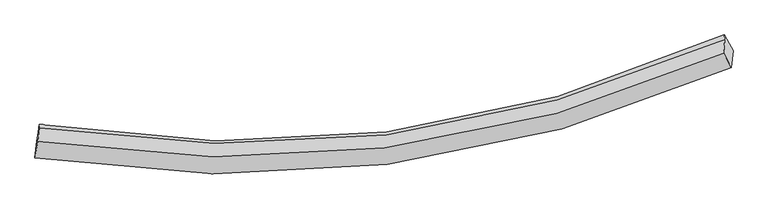
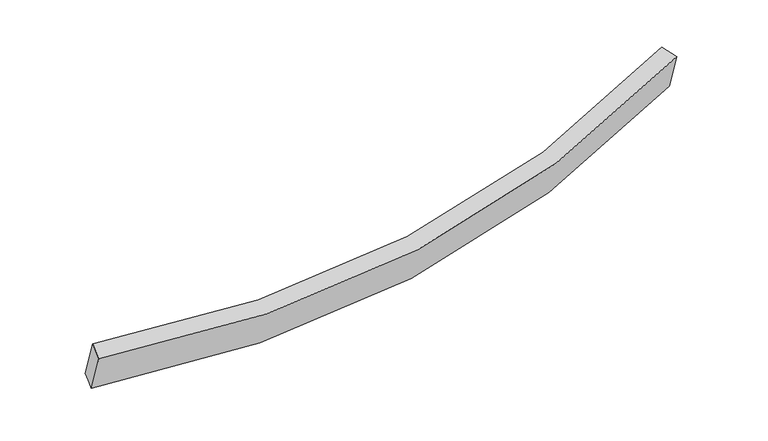
"""IFC4 building model written with IfcOpenShell, lengths in millimetres: proxy geometry."""

from ifc_helpers import new_model, si_unit, frame, origin, place, context, project, spatial, source, transform, mapped, element, save
from ifc_brep_helpers import plane_surface, spline_curve, spline_surface, advanced_brep


def generic_models_fd256055(model_context):
    return source(origin(), model_context, "Body", "AdvancedBrep", [
        advanced_brep(
        [(-4134.8294846, -2184.9472639, 1932.7729134), (-4116.9854547, -1997.3674319, 1428.5037531), (3577.6155008, -998.032285, 2067.822669), (3559.7693067, -1185.6348687, 2572.1529923), (-4102.9456716, -1999.0077559, 2003.0675897), (3471.8412563, -1021.5342912, 2630.0842923), (-4088.8010138, -1850.3164256, 1603.3420358), (3485.7950707, -874.8491434, 2235.7519408), (-4085.1016418, -1811.4279239, 1498.7984294), (3482.6931737, -820.8782525, 2130.3621406), (-4099.6572955, -1896.3133514, 1466.7073816), (3534.650658, -917.8467755, 2096.1300088)],
        [
            (0, 1),
            (1, 2, spline_curve(3, [(-4116.9854547, -1997.3674319, 1428.5037531), (-2789.735968111, -2206.432958359, 1400.124870464), (-1491.706237008, -2230.696407319, 1437.873979025), (1074.491837844, -1906.003246244, 1647.967860839), (2341.329091373, -1548.628081976, 1823.325057651), (3577.6155008, -998.032285, 2067.822669)], [4, 2, 4], [0.0, 12.78241947668337, 25.85274459179884])),
            (2, 3),
            (3, 0, spline_curve(3, [(3559.7693067, -1185.6348687, 2572.1529923), (2323.598648073, -1735.013872868, 2324.38428724), (1056.818809395, -2091.785477261, 2147.404546613), (-1509.38108549, -2416.497772814, 1937.362104005), (-2807.467510589, -2392.830299812, 1901.215151691), (-4134.8294846, -2184.9472639, 1932.7729134)], [4, 2, 4], [0.0, 13.07032511511547, 25.85274459179884])),
            (4, 0),
            (3, 5),
            (5, 4, spline_curve(3, [(3471.8412563, -1021.5342912, 2630.0842923), (2254.377149602, -1562.477852295, 2386.115382176), (1007.05436362, -1913.218034191, 2212.067737003), (-1519.175544338, -2230.755428612, 2006.108614664), (-2796.781734247, -2205.839734424, 1971.150691607), (-4102.9456716, -1999.0077559, 2003.0675897)], [4, 2, 4], [0.0, 12.968187306877317, 25.650718808485053])),
            (6, 4),
            (5, 7),
            (7, 6, spline_curve(3, [(3485.7950707, -874.8491434, 2235.7519408), (2268.308562273, -1416.028195457, 1992.416098895), (1020.99096028, -1766.71388606, 1818.221964302), (-1505.174131811, -2083.569917847, 1610.431142047), (-2782.721891163, -2058.039988482, 1573.821975478), (-4088.8010138, -1850.3164256, 1603.3420358)], [4, 2, 4], [0.0, 12.866052438645815, 25.44869884042378])),
            (8, 6),
            (7, 9),
            (9, 8, spline_curve(3, [(3482.6931737, -820.8782525, 2130.3621406), (2269.638706347, -1375.847897515, 1885.059613347), (1025.091912473, -1734.637111398, 1709.965181959), (-1498.878468512, -2056.272822647, 1502.502887187), (-2776.929946651, -2027.666833008, 1467.076081194), (-4085.1016418, -1811.4279239, 1498.7984294)], [4, 2, 4], [0.0, 12.866536814173667, 25.44965692193268])),
            (10, 8),
            (9, 11),
            (11, 10, spline_curve(3, [(3534.650658, -917.8467755, 2096.1300088), (2308.66678889, -1475.097046023, 1849.521607786), (1052.060386583, -1833.984396728, 1673.963930622), (-1494.04314455, -2151.497319995, 1467.252042916), (-2782.206059504, -2118.765493959, 1433.002177961), (-4099.6572955, -1896.3133514, 1466.7073816)], [4, 2, 4], [0.0, 12.921190174270695, 25.557759769201418])),
            (1, 10),
            (11, 2),
        ],
        [
            spline_surface(3, 3, [[(-4134.8294846, -2184.9472639, 1932.7729134), (-2807.467510597, -2392.830299789, 1901.215151583), (-1509.381085514, -2416.49777267, 1937.362103938), (1056.818809419, -2091.785477408, 2147.404546682), (2323.598648134, -1735.013872802, 2324.384287305), (3559.7693067, -1185.6348687, 2572.1529923)], [(-4128.881474641, -2122.420653213, 1764.683193301), (-2801.556996497, -2330.697852695, 1734.185057892), (-1503.489469339, -2354.563984154, 1770.866062303), (1062.709818855, -2029.858067054, 1980.925651401), (2329.508795973, -1672.88527591, 2157.364544078), (3565.718038095, -1123.100674135, 2404.042884531)], [(-4122.933464659, -2059.894042587, 1596.593473199), (-2795.646482374, -2268.56540566, 1567.154964198), (-1497.597853115, -2292.630195687, 1604.370020664), (1068.600828339, -1967.930656748, 1814.446756117), (2335.418943726, -1610.756679011, 1990.344800859), (3571.666769405, -1060.566479565, 2235.932776769)], [(-4116.9854547, -1997.3674319, 1428.5037531), (-2789.735968274, -2206.432958566, 1400.124870507), (-1491.70623694, -2230.696407171, 1437.873979029), (1074.491837775, -1906.003246395, 1647.967860836), (2341.329091566, -1548.628082119, 1823.325057632), (3577.6155008, -998.032285, 2067.822669)]], [4, 4], [4, 2, 4], [0.0, 1.7493175137822554], [0.0, 12.78241947668337, 25.85274459179884]),
            spline_surface(3, 3, [[(-4102.9456716, -1999.0077559, 2003.0675897), (-2796.781734445, -2205.839734498, 1971.150691796), (-1519.175544408, -2230.755428455, 2006.108614509), (1007.054363691, -1913.218034351, 2212.067737162), (2254.377149603, -1562.477852185, 2386.115381987), (3471.8412563, -1021.5342912, 2630.0842923)], [(-4113.573609253, -2060.9875919, 1979.636030931), (-2800.343659816, -2268.169922928, 1947.838845056), (-1515.91072477, -2292.669543198, 1983.193111012), (1023.642512274, -1972.740515375, 2190.513340362), (2277.450982435, -1619.989859066, 2365.53835042), (3501.150606422, -1076.234483708, 2610.773858961)], [(-4124.201546947, -2122.9674279, 1956.204472169), (-2803.905585226, -2330.500111359, 1924.526998323), (-1512.645905152, -2354.583657927, 1960.277607435), (1040.230660836, -2032.262996385, 2168.958943482), (2300.524815302, -1677.501865921, 2344.961318871), (3530.459956578, -1130.934676192, 2591.463425639)], [(-4134.8294846, -2184.9472639, 1932.7729134), (-2807.467510597, -2392.830299789, 1901.215151583), (-1509.381085514, -2416.49777267, 1937.362103938), (1056.818809419, -2091.785477408, 2147.404546682), (2323.598648134, -1735.013872802, 2324.384287305), (3559.7693067, -1185.6348687, 2572.1529923)]], [4, 4], [4, 2, 4], [0.0, 0.64381350532334], [0.0, 12.682531501607736, 25.650718808485053]),
            spline_surface(3, 3, [[(-4088.8010138, -1850.3164256, 1603.3420358), (-2782.721890958, -2058.039988366, 1573.821975523), (-1505.174131633, -2083.569918016, 1610.43114224), (1020.990960098, -1766.713885887, 1818.221964104), (2268.308562285, -1416.028195495, 1992.4160991), (3485.7950707, -874.8491434, 2235.7519408)], [(-4093.515899743, -1899.880202364, 1736.583887098), (-2787.408505463, -2107.306570407, 1706.264880946), (-1509.841269208, -2132.631754857, 1742.323632997), (1016.34542798, -1815.548602069, 1949.503888457), (2263.664758063, -1464.844747707, 2123.649193415), (3481.143799239, -923.744192648, 2367.196057986)], [(-4098.230785657, -1949.443979136, 1869.825738402), (-2792.09511994, -2156.573152457, 1838.707786374), (-1514.508406834, -2181.693591615, 1874.216123752), (1011.69989581, -1864.383318169, 2080.785812809), (2259.020953825, -1513.661299974, 2254.882287672), (3476.492527761, -972.639241952, 2498.640175114)], [(-4102.9456716, -1999.0077559, 2003.0675897), (-2796.781734445, -2205.839734498, 1971.150691796), (-1519.175544408, -2230.755428455, 2006.108614509), (1007.054363691, -1913.218034351, 2212.067737162), (2254.377149603, -1562.477852185, 2386.115381987), (3471.8412563, -1021.5342912, 2630.0842923)]], [4, 4], [4, 2, 4], [0.0, 1.3825428866808802], [0.0, 12.582646401777966, 25.44869884042378]),
            spline_surface(3, 3, [[(-4085.1016418, -1811.4279239, 1498.7984294), (-2776.92994679, -2027.666832919, 1467.076081313), (-1498.878468715, -2056.272822813, 1502.502887033), (1025.091912681, -1734.637111228, 1709.965182117), (2269.638706436, -1375.847897534, 1885.05961348), (3482.6931737, -820.8782525, 2130.3621406)], [(-4086.334765816, -1824.390757823, 1533.646298201), (-2778.860594862, -2037.791218091, 1502.658046051), (-1500.977023045, -2065.371854542, 1538.478972088), (1023.724928463, -1745.329369442, 1746.050776099), (2269.19532503, -1389.241330214, 1920.845108672), (3483.727139344, -838.868549493, 2165.492073986)], [(-4087.567889784, -1837.353591677, 1568.494166999), (-2780.791242886, -2047.915603194, 1538.240010785), (-1503.075577304, -2074.470886287, 1574.455057185), (1022.357944316, -1756.021627672, 1782.136370123), (2268.751943692, -1402.634762815, 1956.630603907), (3484.761105056, -856.858846407, 2200.622007414)], [(-4088.8010138, -1850.3164256, 1603.3420358), (-2782.721890958, -2058.039988366, 1573.821975523), (-1505.174131633, -2083.569918016, 1610.43114224), (1020.990960098, -1766.713885887, 1818.221964104), (2268.308562285, -1416.028195495, 1992.4160991), (3485.7950707, -874.8491434, 2235.7519408)]], [4, 4], [4, 2, 4], [0.0, 0.3682158200789387], [0.0, 12.583120107759012, 25.44965692193268]),
            spline_surface(3, 3, [[(-4099.6572955, -1896.3133514, 1466.7073816), (-2782.206059554, -2118.765494035, 1433.002177944), (-1494.04314441, -2151.497319786, 1467.252043055), (1052.060386439, -1833.984396942, 1673.963930481), (2308.666789093, -1475.09704588, 1849.521607753), (3534.650658, -917.8467755, 2096.1300088)], [(-4094.805410919, -1868.018208878, 1477.40439756), (-2780.447355285, -2088.399273642, 1444.36014576), (-1495.654919179, -2119.755820801, 1479.002324369), (1043.070895185, -1800.868635043, 1685.964347681), (2295.657428205, -1442.013996403, 1861.367609671), (3517.331496564, -885.523934472, 2107.54071941)], [(-4089.953526381, -1839.723066422, 1488.10141344), (-2778.688651059, -2058.033053313, 1455.718113497), (-1497.266693945, -2088.014321798, 1490.752605718), (1034.081403935, -1767.752873126, 1697.964764917), (2282.648067324, -1408.93094701, 1873.213611561), (3500.012335136, -853.201093528, 2118.95142999)], [(-4085.1016418, -1811.4279239, 1498.7984294), (-2776.92994679, -2027.666832919, 1467.076081313), (-1498.878468715, -2056.272822813, 1502.502887033), (1025.091912681, -1734.637111228, 1709.965182117), (2269.638706436, -1375.847897534, 1885.05961348), (3482.6931737, -820.8782525, 2130.3621406)]], [4, 4], [4, 2, 4], [0.0, 0.344158305105354], [0.0, 12.636569594930723, 25.557759769201418]),
            spline_surface(3, 3, [[(-4116.9854547, -1997.3674319, 1428.5037531), (-2789.735968274, -2206.432958566, 1400.124870507), (-1491.70623694, -2230.696407171, 1437.873979029), (1074.491837775, -1906.003246395, 1647.967860836), (2341.329091566, -1548.628082119, 1823.325057632), (3577.6155008, -998.032285, 2067.822669)], [(-4111.209401627, -1963.682738422, 1441.238295909), (-2787.225998694, -2177.210470411, 1411.083972962), (-1492.485206079, -2204.296711359, 1447.666667036), (1067.014687347, -1881.996963227, 1656.633217382), (2330.441657411, -1524.117736715, 1832.057240999), (3563.293886536, -971.303781843, 2077.258448927)], [(-4105.433348573, -1929.998044878, 1453.972838791), (-2784.716029133, -2147.98798219, 1422.043075489), (-1493.26417527, -2177.897015598, 1457.459355048), (1059.537536867, -1857.99068011, 1665.298573934), (2319.554223248, -1499.607391284, 1840.789424385), (3548.972272264, -944.575278657, 2086.694228873)], [(-4099.6572955, -1896.3133514, 1466.7073816), (-2782.206059554, -2118.765494035, 1433.002177944), (-1494.04314441, -2151.497319786, 1467.252043055), (1052.060386439, -1833.984396942, 1673.963930481), (2308.666789093, -1475.09704588, 1849.521607753), (3534.650658, -917.8467755, 2096.1300088)]], [4, 4], [4, 2, 4], [0.0, 0.2671095917141683], [0.0, 12.735911005384125, 25.758680112687692]),
            plane_surface(frame((3515.5428616, -980.1857682, 2327.234807), z_axis=(0.8919263008056604, 0.41258769729695866, 0.18503747180050817), x_axis=(0.026188247675291737, -0.4556576480066292, 0.889769792416423))),
            plane_surface(frame((-4109.9655632, -1998.1875939, 1715.7856714), z_axis=(-0.9868231992520753, 0.15992586294474118, 0.024570139993074728), x_axis=(-0.03314742174646655, -0.3484519947215261, 0.9367403353150496))),
        ],
        [
            (0, [[1, 2, 3, 4]]),
            (1, [[5, -4, 6, 7]]),
            (2, [[8, -7, 9, 10]]),
            (3, [[11, -10, 12, 13]]),
            (4, [[14, -13, 15, 16]]),
            (5, [[17, -16, 18, -2]]),
            (6, [[-12, -9, -6, -3, -18, -15]]),
            (7, [[-1, -5, -8, -11, -14, -17]]),
        ],
    ),
    ])


if __name__ == "__main__":
    model = new_model("IFC4")
    model_context = context("Model", 3, world=origin())
    ifc_project = project(units=[si_unit("LENGTHUNIT", "METRE", prefix="MILLI")], contexts=[model_context])
    site = spatial("IfcSite", under=ifc_project)
    building = spatial("IfcBuilding", under=site)
    placement = place(None, origin())
    generic_models_shape = generic_models_fd256055(model_context)
    element("IfcBuildingElementProxy", 1, Name="Generic Models", at=placement, inside=building, context=model_context, shape_type="MappedRepresentation", body=[
        mapped(generic_models_shape, transform((0.0, 0.0, 0.0), x_axis=(1.0, 0.0, 0.0), y_axis=(0.0, 1.0, 0.0), z_axis=(0.0, 0.0, 1.0))),
    ])
    save(model, "model.ifc")
